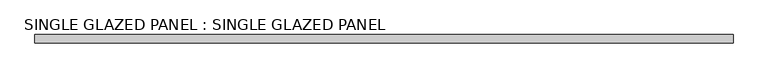
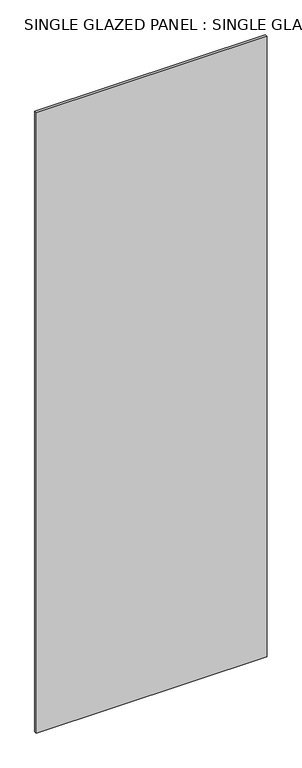
"""IFC4 building model written with IfcOpenShell, lengths in millimetres: plate geometry, SINGLE GLAZED PANEL : SINGLE GLAZED PANEL."""

from ifc_helpers import new_model, si_unit, origin, origin_with_axes, place, context, project, spatial, polyline, outline, extrude, source, transform, mapped, element, save


def single_glazed_panel_single_glazed_panel_e1d1b156(model_context):
    return source(origin(), model_context, "Body", "SweptSolid", [
        extrude(outline(polyline([(534.97405, 6.35), (534.97405, -6.35), (-534.97405, -6.35), (-534.97405, 6.35), (534.97405, 6.35)])), origin_with_axes(), (0.0, 0.0, 1.0), 3041.65),
    ])


if __name__ == "__main__":
    model = new_model("IFC4")
    model_context = context("Model", 3, world=origin())
    ifc_project = project(units=[si_unit("LENGTHUNIT", "METRE", prefix="MILLI")], contexts=[model_context])
    site = spatial("IfcSite", under=ifc_project)
    building = spatial("IfcBuilding", under=site)
    placement = place(None, origin())
    single_glazed_panel_single_glazed_panel_shape = single_glazed_panel_single_glazed_panel_e1d1b156(model_context)
    element("IfcPlate", 1, ObjectType="SINGLE GLAZED PANEL : SINGLE GLAZED PANEL", at=placement, inside=building, context=model_context, shape_type="MappedRepresentation", body=[
        mapped(single_glazed_panel_single_glazed_panel_shape, transform((0.0, 0.0, 0.0), x_axis=(1.0, 0.0, 0.0), y_axis=(0.0, 1.0, 0.0), z_axis=(0.0, 0.0, 1.0))),
    ])
    save(model, "model.ifc")
